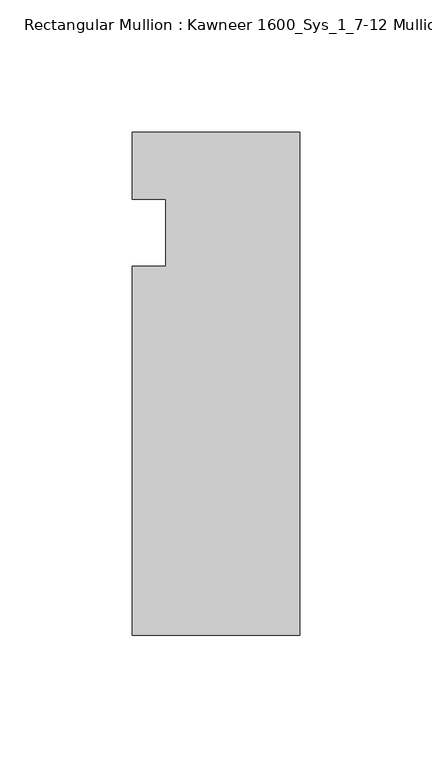
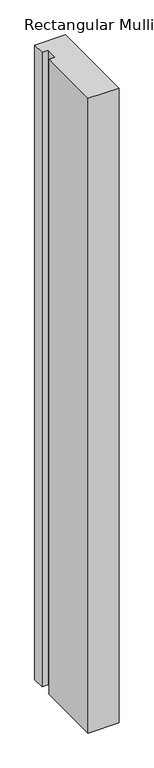
"""IFC4 building model written with IfcOpenShell, lengths in millimetres: member geometry, Rectangular Mullion : Kawneer 1600_Sys_1_7-12 Mullion_Head."""

from ifc_helpers import new_model, si_unit, frame, origin, place, context, project, spatial, polyline, outline, extrude, source, transform, mapped, element, save


def rectangular_mullion_kawneer_1600_sys_1_7_12_mullion_head_a92269a5(model_context):
    return source(origin(), model_context, "Body", "SweptSolid", [
        extrude(outline(polyline([(-63.5, -152.4), (-63.5, -12.7), (-50.7982296, -12.7), (-50.7982296, 12.7), (-63.5, 12.7), (-63.5, 38.1), (0.0, 38.1), (0.0, -152.4), (-63.5, -152.4)])), frame((0.0, 0.0, -1377.95), z_axis=(0.0, 0.0, 1.0), x_axis=(1.0, 0.0, 0.0)), (0.0, 0.0, 1.0), 1377.95),
    ])


if __name__ == "__main__":
    model = new_model("IFC4")
    model_context = context("Model", 3, world=origin())
    ifc_project = project(units=[si_unit("LENGTHUNIT", "METRE", prefix="MILLI")], contexts=[model_context])
    site = spatial("IfcSite", under=ifc_project)
    building = spatial("IfcBuilding", under=site)
    placement = place(None, origin())
    rectangular_mullion_kawneer_1600_sys_1_7_12_mullion_head_shape = rectangular_mullion_kawneer_1600_sys_1_7_12_mullion_head_a92269a5(model_context)
    element("IfcMember", 1, ObjectType="Rectangular Mullion : Kawneer 1600_Sys_1_7-12 Mullion_Head", at=placement, inside=building, context=model_context, shape_type="MappedRepresentation", body=[
        mapped(rectangular_mullion_kawneer_1600_sys_1_7_12_mullion_head_shape, transform((0.0, 0.0, 0.0), x_axis=(1.0, 0.0, 0.0), y_axis=(0.0, 1.0, 0.0), z_axis=(0.0, 0.0, 1.0))),
    ])
    save(model, "model.ifc")
